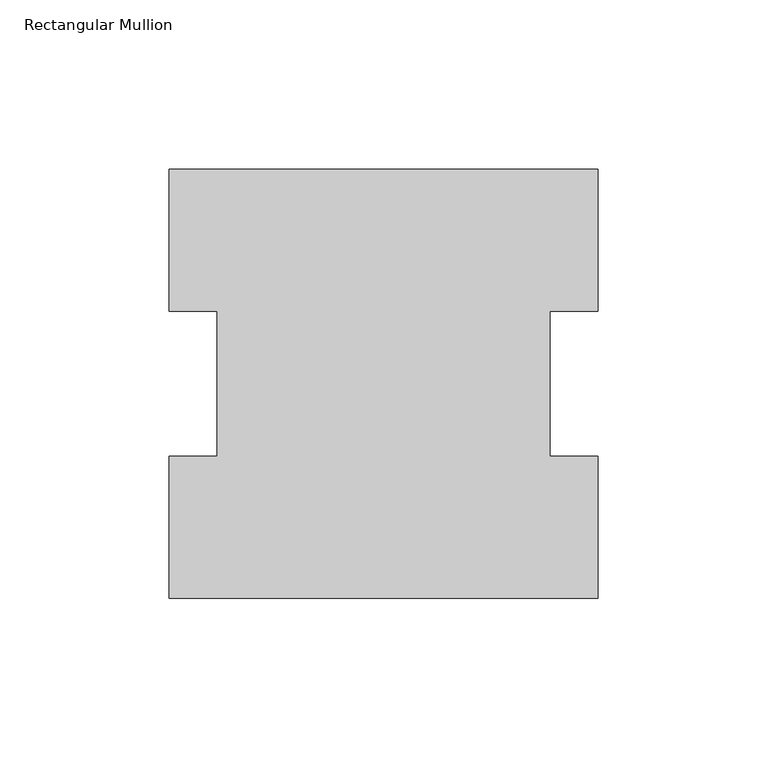
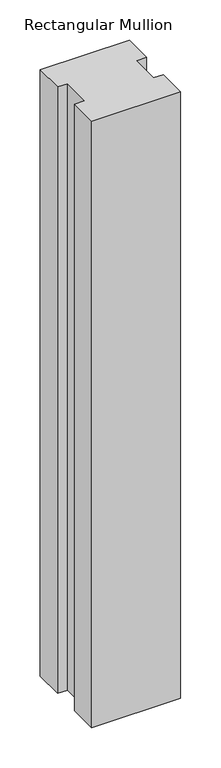
"""IFC4 building model written with IfcOpenShell, lengths in millimetres: member geometry, Rectangular Mullion."""

from ifc_helpers import new_model, si_unit, frame, origin, place, context, project, spatial, polyline, outline, extrude, source, transform, mapped, element, save


def rectangular_mullion_52b5d142(model_context):
    return source(origin(), model_context, "Body", "SweptSolid", [
        extrude(outline(polyline([(-63.5, 126.7086937), (63.5, 126.7086937), (63.5, 84.6335938), (49.2125, 84.6335938), (49.2125, 41.7837937), (63.5, 41.7837937), (63.5, -0.2913063), (-63.5, -0.2913063), (-63.5, 41.7837937), (-49.2125, 41.7837937), (-49.2125, 84.6335938), (-63.5, 84.6335938), (-63.5, 126.7086937)])), frame((0.0, 0.0, -914.4), z_axis=(0.0, 0.0, 1.0), x_axis=(1.0, 0.0, 0.0)), (0.0, 0.0, 1.0), 914.4),
    ])


if __name__ == "__main__":
    model = new_model("IFC4")
    model_context = context("Model", 3, world=origin())
    ifc_project = project(units=[si_unit("LENGTHUNIT", "METRE", prefix="MILLI")], contexts=[model_context])
    site = spatial("IfcSite", under=ifc_project)
    building = spatial("IfcBuilding", under=site)
    placement = place(None, origin())
    rectangular_mullion_shape = rectangular_mullion_52b5d142(model_context)
    element("IfcMember", 1, ObjectType="Rectangular Mullion", at=placement, inside=building, context=model_context, shape_type="MappedRepresentation", body=[
        mapped(rectangular_mullion_shape, transform((0.0, 0.0, 0.0), x_axis=(1.0, 0.0, 0.0), y_axis=(0.0, 1.0, 0.0), z_axis=(0.0, 0.0, 1.0))),
    ])
    save(model, "model.ifc")
